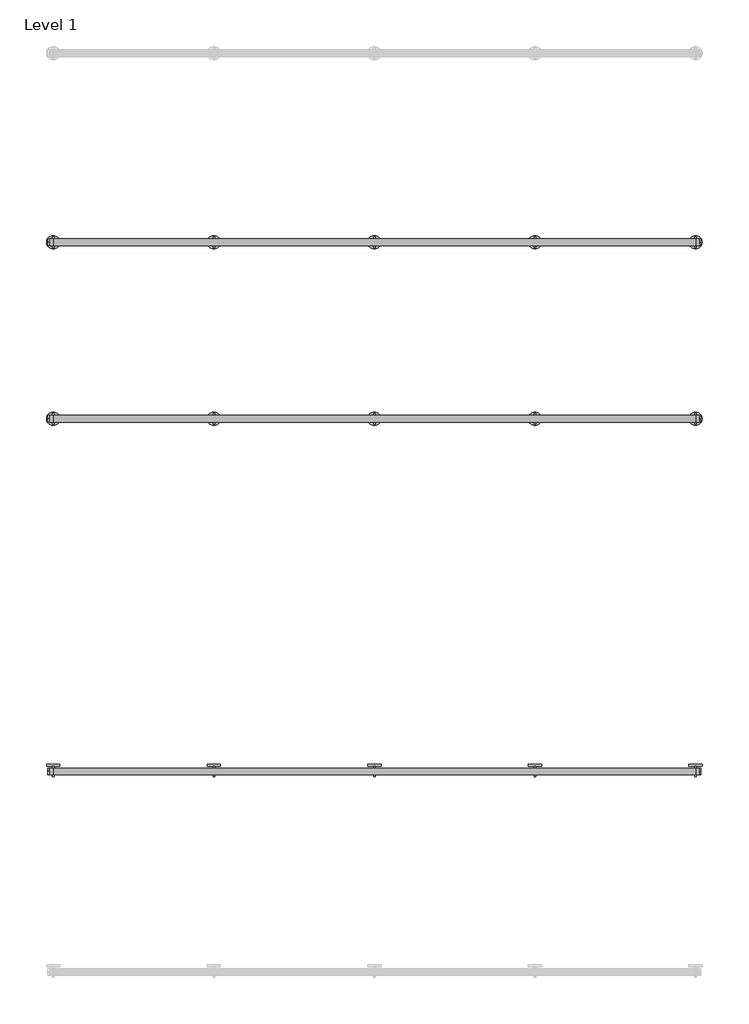
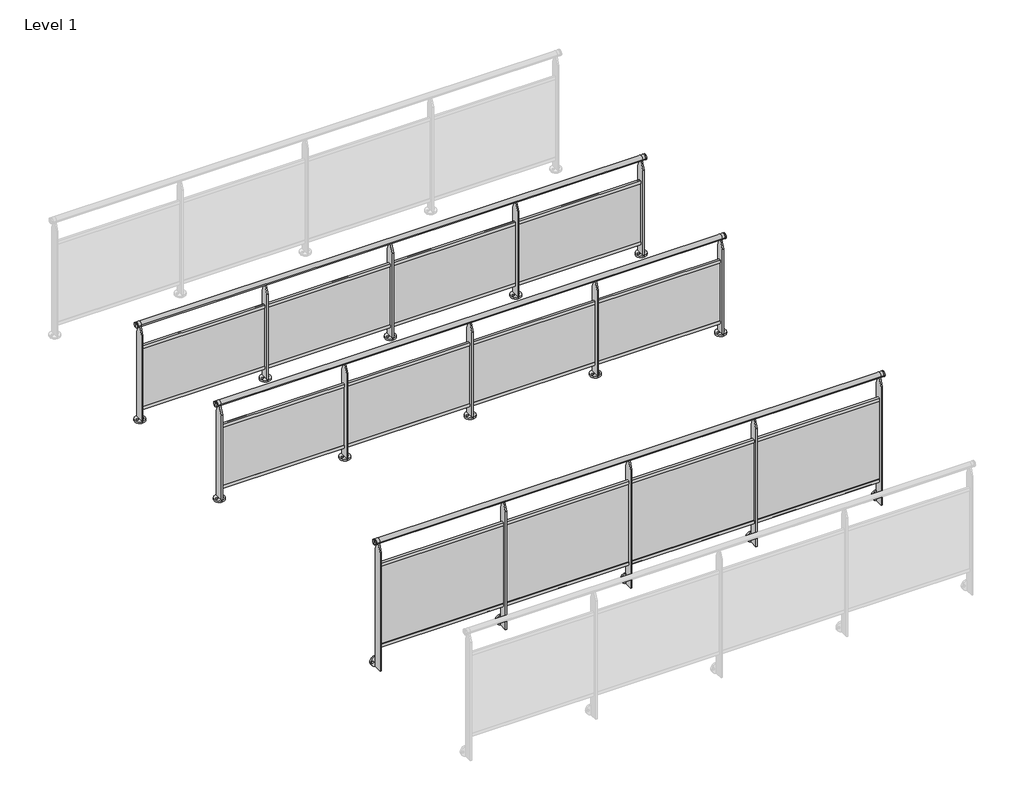
# One storey, part 2 of 14: 3 railings.
"""IFC4 building model written with IfcOpenShell, lengths in millimetres."""

from ifc_helpers import new_model, si_unit, point, frame, frame_2d, origin, origin_with_axes, place, context, project, spatial, polyline, circle_curve, trimmed, segment, composite_curve, outline, extrude, element, save
from ifc_brep_helpers import plane_surface, cylinder_surface, advanced_brep

model = new_model("IFC4")

# Units and contexts
model_context = context("Model", 3, world=origin())
ifc_project = project(units=[si_unit("LENGTHUNIT", "METRE", prefix="MILLI")], contexts=[model_context])

# Site, building, storey
site = spatial("IfcSite", under=ifc_project)
building = spatial("IfcBuilding", under=site)
storey = spatial("IfcBuildingStorey", under=building, Name="Level 1", Elevation=0.0)

# Railings
placement = place(None, origin())
element("IfcRailing", 1, at=placement, inside=storey, context=model_context, shape_type="SolidModel", body=[
    advanced_brep(
    [(32190.6479588, -5976.1675637, 975.0), (32190.6479588, -5976.1675637, 1000.0), (32190.6479588, -5976.1675637, 950.0), (32200.6479588, -5976.1675637, 950.0), (32200.6479588, -5976.1675637, 1000.0), (32200.6479588, -5976.1675637, 975.0)],
    [
        (0, 1),
        (1, 2, circle_curve(frame((32190.6479588, -5976.1675637, 975.0), z_axis=(-1.0, 0.0, 0.0), x_axis=(0.0, 0.0, 1.0)), 25.0)),
        (2, 0),
        (2, 1, circle_curve(frame((32190.6479588, -5976.1675637, 975.0), z_axis=(-1.0, 0.0, 0.0), x_axis=(0.0, 0.0, 1.0)), 25.0)),
        (3, 4, circle_curve(frame((32200.6479588, -5976.1675637, 975.0), z_axis=(1.0, 0.0, 0.0), x_axis=(0.0, 0.0, 1.0)), 25.0)),
        (4, 5),
        (5, 3),
        (4, 3, circle_curve(frame((32200.6479588, -5976.1675637, 975.0), z_axis=(1.0, 0.0, 0.0), x_axis=(0.0, 0.0, 1.0)), 25.0)),
        (1, 4),
        (3, 2),
    ],
    [
        plane_surface(frame((32190.6479588, -5976.1675637, 975.0), z_axis=(-1.0, 0.0, 0.0), x_axis=(0.0, 0.0, 1.0))),
        plane_surface(frame((32200.6479588, -5976.1675637, 975.0), z_axis=(1.0, 0.0, 0.0), x_axis=(0.0, 0.0, 1.0))),
        cylinder_surface(frame((32175.6479588, -5976.1675637, 975.0), z_axis=(-1.0, 0.0, 0.0), x_axis=(0.0, 0.0, 1.0)), 25.0),
    ],
    [
        (0, [[1, 2, 3]]),
        (0, [[-3, 4, -1]]),
        (1, [[5, 6, 7]]),
        (1, [[8, -7, -6]]),
        (2, [[-2, 9, -5, 10]]),
        (2, [[-4, -10, -8, -9]]),
    ],
),
    advanced_brep(
    [(27330.6479588, -5976.1675637, 975.0), (27330.6479588, -5976.1675637, 1000.0), (27330.6479588, -5976.1675637, 950.0), (27320.6479588, -5976.1675637, 950.0), (27320.6479588, -5976.1675637, 1000.0), (27320.6479588, -5976.1675637, 975.0)],
    [
        (0, 1),
        (1, 2, circle_curve(frame((27330.6479588, -5976.1675637, 975.0), z_axis=(1.0, 0.0, 0.0), x_axis=(0.0, 0.0, 1.0)), 25.0)),
        (2, 0),
        (2, 1, circle_curve(frame((27330.6479588, -5976.1675637, 975.0), z_axis=(1.0, 0.0, 0.0), x_axis=(0.0, 0.0, 1.0)), 25.0)),
        (3, 4, circle_curve(frame((27320.6479588, -5976.1675637, 975.0), z_axis=(-1.0, 0.0, 0.0), x_axis=(0.0, 0.0, 1.0)), 25.0)),
        (4, 5),
        (5, 3),
        (4, 3, circle_curve(frame((27320.6479588, -5976.1675637, 975.0), z_axis=(-1.0, 0.0, 0.0), x_axis=(0.0, 0.0, 1.0)), 25.0)),
        (1, 4),
        (3, 2),
    ],
    [
        plane_surface(frame((27330.6479588, -5976.1675637, 975.0), z_axis=(1.0, 0.0, 0.0), x_axis=(0.0, 0.0, 1.0))),
        plane_surface(frame((27320.6479588, -5976.1675637, 975.0), z_axis=(-1.0, 0.0, 0.0), x_axis=(0.0, 0.0, 1.0))),
        cylinder_surface(frame((27345.6479588, -5976.1675637, 975.0), z_axis=(1.0, 0.0, 0.0), x_axis=(0.0, 0.0, 1.0)), 25.0),
    ],
    [
        (0, [[1, 2, 3]]),
        (0, [[-3, 4, -1]]),
        (1, [[5, 6, 7]]),
        (1, [[8, -7, -6]]),
        (2, [[-2, 9, -5, 10]]),
        (2, [[-4, -10, -8, -9]]),
    ],
),
    advanced_brep(
    [(27330.6479588, -6001.1675637, 975.0), (27330.6479588, -5951.1675637, 975.0), (27360.6479588, -6001.1675637, 975.0), (27360.6479588, -5951.1675637, 975.0), (32160.6479588, -6001.1675637, 975.0), (32160.6479588, -5951.1675637, 975.0), (32190.6479588, -6001.1675637, 975.0), (32190.6479588, -5951.1675637, 975.0)],
    [
        (0, 1, circle_curve(frame((27330.6479588, -5976.1675637, 975.0), z_axis=(-1.0, 0.0, 0.0), x_axis=(0.0, 1.0, 0.0)), 25.0)),
        (1, 0, circle_curve(frame((27330.6479588, -5976.1675637, 975.0), z_axis=(-1.0, 0.0, 0.0), x_axis=(0.0, 1.0, 0.0)), 25.0)),
        (0, 2),
        (2, 3, circle_curve(frame((27360.6479588, -5976.1675637, 975.0), z_axis=(-1.0, 0.0, 0.0), x_axis=(0.0, 1.0, 0.0)), 25.0)),
        (3, 1),
        (3, 2, circle_curve(frame((27360.6479588, -5976.1675637, 975.0), z_axis=(-1.0, 0.0, 0.0), x_axis=(0.0, 1.0, 0.0)), 25.0)),
        (2, 4),
        (4, 5, circle_curve(frame((32160.6479588, -5976.1675637, 975.0), z_axis=(-1.0, 0.0, 0.0), x_axis=(0.0, 1.0, 0.0)), 25.0)),
        (5, 3),
        (5, 4, circle_curve(frame((32160.6479588, -5976.1675637, 975.0), z_axis=(-1.0, 0.0, 0.0), x_axis=(0.0, 1.0, 0.0)), 25.0)),
        (6, 7, circle_curve(frame((32190.6479588, -5976.1675637, 975.0), z_axis=(1.0, 0.0, 0.0), x_axis=(0.0, 1.0, 0.0)), 25.0)),
        (7, 6, circle_curve(frame((32190.6479588, -5976.1675637, 975.0), z_axis=(1.0, 0.0, 0.0), x_axis=(0.0, 1.0, 0.0)), 25.0)),
        (4, 6),
        (7, 5),
    ],
    [
        plane_surface(frame((27330.6479588, -5976.1675637, 1000.0), z_axis=(-1.0, 0.0, 0.0), x_axis=(0.0, 1.0, 0.0))),
        cylinder_surface(frame((27330.6479588, -5976.1675637, 975.0), z_axis=(-1.0, 0.0, 0.0), x_axis=(0.0, 1.0, 0.0)), 25.0),
        cylinder_surface(frame((27360.6479588, -5976.1675637, 975.0), z_axis=(-1.0, 0.0, 0.0), x_axis=(0.0, 1.0, 0.0)), 25.0),
        plane_surface(frame((32190.6479588, -5976.1675637, 1000.0), z_axis=(1.0, 0.0, 0.0), x_axis=(0.0, 1.0, 0.0))),
        cylinder_surface(frame((32160.6479588, -5976.1675637, 975.0), z_axis=(-1.0, 0.0, 0.0), x_axis=(0.0, 1.0, 0.0)), 25.0),
    ],
    [
        (0, [[1, 2]]),
        (1, [[-1, 3, 4, 5]]),
        (1, [[-2, -5, 6, -3]]),
        (2, [[-4, 7, 8, 9]]),
        (2, [[-6, -9, 10, -7]]),
        (3, [[11, 12]]),
        (4, [[-8, 13, -12, 14]]),
        (4, [[-10, -14, -11, -13]]),
    ],
),
    extrude(outline(polyline([(-5963.1675637, 750.0), (-5963.1675637, 720.0), (-5966.1675637, 720.0), (-5966.1675637, 747.0), (-5980.1675637, 747.0), (-5980.1675637, 720.0), (-5983.1675637, 720.0), (-5983.1675637, 750.0), (-5963.1675637, 750.0)])), frame((27360.6479588, 0.0, 0.0), z_axis=(1.0, 0.0, 0.0), x_axis=(0.0, 1.0, 0.0)), (0.0, 0.0, 1.0), 4800.0),
    extrude(outline(polyline([(27360.6479588, -5977.1675637), (27360.6479588, -5969.1675637), (32160.6479588, -5969.1675637), (32160.6479588, -5977.1675637), (27360.6479588, -5977.1675637)])), frame((0.0, 0.0, 130.0), z_axis=(0.0, 0.0, 1.0), x_axis=(1.0, 0.0, 0.0)), (0.0, 0.0, 1.0), 590.0),
    extrude(outline(polyline([(-5963.1675637, 100.0), (-5983.1675637, 100.0), (-5983.1675637, 130.0), (-5980.1675637, 130.0), (-5980.1675637, 103.0), (-5966.1675637, 103.0), (-5966.1675637, 130.0), (-5963.1675637, 130.0), (-5963.1675637, 100.0)])), frame((27360.6479588, 0.0, 0.0), z_axis=(1.0, 0.0, 0.0), x_axis=(0.0, 1.0, 0.0)), (0.0, 0.0, 1.0), 4800.0),
    extrude(outline(composite_curve([segment(trimmed(circle_curve(frame_2d((30960.6479588, -5976.1675637)), 50.0), [point((30960.6479588, -6026.1675637))], [point((30960.6479588, -5926.1675637))], False, "CARTESIAN"), True, "CONTINUOUS"), segment(trimmed(circle_curve(frame_2d((30960.6479588, -5976.1675637)), 50.0), [point((30960.6479588, -5926.1675637))], [point((30960.6479588, -6026.1675637))], False, "CARTESIAN"), True, "CONTINUOUS")], self_intersect=False), holes=[composite_curve([segment(trimmed(circle_curve(frame_2d((30935.6576262, -5976.1578962)), 8.9986565), [point((30944.6562827, -5976.1578962))], [point((30926.6589698, -5976.1578962))], True, "CARTESIAN"), True, "CONTINUOUS"), segment(trimmed(circle_curve(frame_2d((30935.6576262, -5976.1578962)), 8.9986565), [point((30926.6589698, -5976.1578962))], [point((30944.6562827, -5976.1578962))], True, "CARTESIAN"), True, "CONTINUOUS")], self_intersect=False), composite_curve([segment(trimmed(circle_curve(frame_2d((30985.6576262, -5976.1578962)), 8.9793215), [point((30994.6369477, -5976.1578962))], [point((30976.6783047, -5976.1578962))], True, "CARTESIAN"), True, "CONTINUOUS"), segment(trimmed(circle_curve(frame_2d((30985.6576262, -5976.1578962)), 8.9793215), [point((30976.6783047, -5976.1578962))], [point((30994.6369477, -5976.1578962))], True, "CARTESIAN"), True, "CONTINUOUS")], self_intersect=False)]), origin_with_axes(), (0.0, 0.0, 1.0), 15.0),
    extrude(outline(polyline([(-5936.1675637, 15.0), (-6016.1675637, 15.0), (-6016.1675637, 875.0), (-5986.1675637, 950.0), (-5966.1675637, 950.0), (-5936.1675637, 875.0), (-5936.1675637, 15.0)])), frame((30954.6479588, 0.0, 0.0), z_axis=(1.0, 0.0, 0.0), x_axis=(0.0, 1.0, 0.0)), (0.0, 0.0, 1.0), 12.0),
    extrude(outline(composite_curve([segment(trimmed(circle_curve(frame_2d((29760.6479588, -5976.1675637)), 50.0), [point((29760.6479588, -6026.1675637))], [point((29760.6479588, -5926.1675637))], False, "CARTESIAN"), True, "CONTINUOUS"), segment(trimmed(circle_curve(frame_2d((29760.6479588, -5976.1675637)), 50.0), [point((29760.6479588, -5926.1675637))], [point((29760.6479588, -6026.1675637))], False, "CARTESIAN"), True, "CONTINUOUS")], self_intersect=False), holes=[composite_curve([segment(trimmed(circle_curve(frame_2d((29735.6576262, -5976.1578962)), 8.9986565), [point((29744.6562827, -5976.1578962))], [point((29726.6589698, -5976.1578962))], True, "CARTESIAN"), True, "CONTINUOUS"), segment(trimmed(circle_curve(frame_2d((29735.6576262, -5976.1578962)), 8.9986565), [point((29726.6589698, -5976.1578962))], [point((29744.6562827, -5976.1578962))], True, "CARTESIAN"), True, "CONTINUOUS")], self_intersect=False), composite_curve([segment(trimmed(circle_curve(frame_2d((29785.6576262, -5976.1578962)), 8.9793215), [point((29794.6369477, -5976.1578962))], [point((29776.6783047, -5976.1578962))], True, "CARTESIAN"), True, "CONTINUOUS"), segment(trimmed(circle_curve(frame_2d((29785.6576262, -5976.1578962)), 8.9793215), [point((29776.6783047, -5976.1578962))], [point((29794.6369477, -5976.1578962))], True, "CARTESIAN"), True, "CONTINUOUS")], self_intersect=False)]), origin_with_axes(), (0.0, 0.0, 1.0), 15.0),
    extrude(outline(polyline([(-5936.1675637, 15.0), (-6016.1675637, 15.0), (-6016.1675637, 875.0), (-5986.1675637, 950.0), (-5966.1675637, 950.0), (-5936.1675637, 875.0), (-5936.1675637, 15.0)])), frame((29754.6479588, 0.0, 0.0), z_axis=(1.0, 0.0, 0.0), x_axis=(0.0, 1.0, 0.0)), (0.0, 0.0, 1.0), 12.0),
    extrude(outline(composite_curve([segment(trimmed(circle_curve(frame_2d((28560.6479588, -5976.1675637)), 50.0), [point((28560.6479588, -6026.1675637))], [point((28560.6479588, -5926.1675637))], False, "CARTESIAN"), True, "CONTINUOUS"), segment(trimmed(circle_curve(frame_2d((28560.6479588, -5976.1675637)), 50.0), [point((28560.6479588, -5926.1675637))], [point((28560.6479588, -6026.1675637))], False, "CARTESIAN"), True, "CONTINUOUS")], self_intersect=False), holes=[composite_curve([segment(trimmed(circle_curve(frame_2d((28535.6576262, -5976.1578962)), 8.9986565), [point((28544.6562827, -5976.1578962))], [point((28526.6589698, -5976.1578962))], True, "CARTESIAN"), True, "CONTINUOUS"), segment(trimmed(circle_curve(frame_2d((28535.6576262, -5976.1578962)), 8.9986565), [point((28526.6589698, -5976.1578962))], [point((28544.6562827, -5976.1578962))], True, "CARTESIAN"), True, "CONTINUOUS")], self_intersect=False), composite_curve([segment(trimmed(circle_curve(frame_2d((28585.6576262, -5976.1578962)), 8.9793215), [point((28594.6369477, -5976.1578962))], [point((28576.6783047, -5976.1578962))], True, "CARTESIAN"), True, "CONTINUOUS"), segment(trimmed(circle_curve(frame_2d((28585.6576262, -5976.1578962)), 8.9793215), [point((28576.6783047, -5976.1578962))], [point((28594.6369477, -5976.1578962))], True, "CARTESIAN"), True, "CONTINUOUS")], self_intersect=False)]), origin_with_axes(), (0.0, 0.0, 1.0), 15.0),
    extrude(outline(polyline([(-5936.1675637, 15.0), (-6016.1675637, 15.0), (-6016.1675637, 875.0), (-5986.1675637, 950.0), (-5966.1675637, 950.0), (-5936.1675637, 875.0), (-5936.1675637, 15.0)])), frame((28554.6479588, 0.0, 0.0), z_axis=(1.0, 0.0, 0.0), x_axis=(0.0, 1.0, 0.0)), (0.0, 0.0, 1.0), 12.0),
    extrude(outline(composite_curve([segment(trimmed(circle_curve(frame_2d((32160.6479588, -5976.1675637)), 50.0), [point((32160.6479588, -6026.1675637))], [point((32160.6479588, -5926.1675637))], False, "CARTESIAN"), True, "CONTINUOUS"), segment(trimmed(circle_curve(frame_2d((32160.6479588, -5976.1675637)), 50.0), [point((32160.6479588, -5926.1675637))], [point((32160.6479588, -6026.1675637))], False, "CARTESIAN"), True, "CONTINUOUS")], self_intersect=False), holes=[composite_curve([segment(trimmed(circle_curve(frame_2d((32135.6576262, -5976.1578962)), 8.9986565), [point((32144.6562827, -5976.1578962))], [point((32126.6589698, -5976.1578962))], True, "CARTESIAN"), True, "CONTINUOUS"), segment(trimmed(circle_curve(frame_2d((32135.6576262, -5976.1578962)), 8.9986565), [point((32126.6589698, -5976.1578962))], [point((32144.6562827, -5976.1578962))], True, "CARTESIAN"), True, "CONTINUOUS")], self_intersect=False), composite_curve([segment(trimmed(circle_curve(frame_2d((32185.6576262, -5976.1578962)), 8.9793215), [point((32194.6369477, -5976.1578962))], [point((32176.6783047, -5976.1578962))], True, "CARTESIAN"), True, "CONTINUOUS"), segment(trimmed(circle_curve(frame_2d((32185.6576262, -5976.1578962)), 8.9793215), [point((32176.6783047, -5976.1578962))], [point((32194.6369477, -5976.1578962))], True, "CARTESIAN"), True, "CONTINUOUS")], self_intersect=False)]), origin_with_axes(), (0.0, 0.0, 1.0), 15.0),
    extrude(outline(polyline([(-5936.1675637, 15.0), (-6016.1675637, 15.0), (-6016.1675637, 875.0), (-5986.1675637, 950.0), (-5966.1675637, 950.0), (-5936.1675637, 875.0), (-5936.1675637, 15.0)])), frame((32154.6479588, 0.0, 0.0), z_axis=(1.0, 0.0, 0.0), x_axis=(0.0, 1.0, 0.0)), (0.0, 0.0, 1.0), 12.0),
    extrude(outline(composite_curve([segment(trimmed(circle_curve(frame_2d((27360.6479588, -5976.1675637)), 50.0), [point((27360.6479588, -6026.1675637))], [point((27360.6479588, -5926.1675637))], False, "CARTESIAN"), True, "CONTINUOUS"), segment(trimmed(circle_curve(frame_2d((27360.6479588, -5976.1675637)), 50.0), [point((27360.6479588, -5926.1675637))], [point((27360.6479588, -6026.1675637))], False, "CARTESIAN"), True, "CONTINUOUS")], self_intersect=False), holes=[composite_curve([segment(trimmed(circle_curve(frame_2d((27335.6576262, -5976.1578962)), 8.9986565), [point((27344.6562827, -5976.1578962))], [point((27326.6589698, -5976.1578962))], True, "CARTESIAN"), True, "CONTINUOUS"), segment(trimmed(circle_curve(frame_2d((27335.6576262, -5976.1578962)), 8.9986565), [point((27326.6589698, -5976.1578962))], [point((27344.6562827, -5976.1578962))], True, "CARTESIAN"), True, "CONTINUOUS")], self_intersect=False), composite_curve([segment(trimmed(circle_curve(frame_2d((27385.6576262, -5976.1578962)), 8.9793215), [point((27394.6369477, -5976.1578962))], [point((27376.6783047, -5976.1578962))], True, "CARTESIAN"), True, "CONTINUOUS"), segment(trimmed(circle_curve(frame_2d((27385.6576262, -5976.1578962)), 8.9793215), [point((27376.6783047, -5976.1578962))], [point((27394.6369477, -5976.1578962))], True, "CARTESIAN"), True, "CONTINUOUS")], self_intersect=False)]), origin_with_axes(), (0.0, 0.0, 1.0), 15.0),
    extrude(outline(polyline([(-5936.1675637, 15.0), (-6016.1675637, 15.0), (-6016.1675637, 875.0), (-5986.1675637, 950.0), (-5966.1675637, 950.0), (-5936.1675637, 875.0), (-5936.1675637, 15.0)])), frame((27354.6479588, 0.0, 0.0), z_axis=(1.0, 0.0, 0.0), x_axis=(0.0, 1.0, 0.0)), (0.0, 0.0, 1.0), 12.0),
])
element("IfcRailing", 2, at=placement, inside=storey, context=model_context, shape_type="SolidModel", body=[
    advanced_brep(
    [(32190.6479588, -8610.846781, 1175.0), (32190.6479588, -8610.846781, 1200.0), (32190.6479588, -8610.846781, 1150.0), (32200.6479588, -8610.846781, 1150.0), (32200.6479588, -8610.846781, 1200.0), (32200.6479588, -8610.846781, 1175.0)],
    [
        (0, 1),
        (1, 2, circle_curve(frame((32190.6479588, -8610.846781, 1175.0), z_axis=(-1.0, 0.0, 0.0), x_axis=(0.0, 0.0, 1.0)), 25.0)),
        (2, 0),
        (2, 1, circle_curve(frame((32190.6479588, -8610.846781, 1175.0), z_axis=(-1.0, 0.0, 0.0), x_axis=(0.0, 0.0, 1.0)), 25.0)),
        (3, 4, circle_curve(frame((32200.6479588, -8610.846781, 1175.0), z_axis=(1.0, 0.0, 0.0), x_axis=(0.0, 0.0, 1.0)), 25.0)),
        (4, 5),
        (5, 3),
        (4, 3, circle_curve(frame((32200.6479588, -8610.846781, 1175.0), z_axis=(1.0, 0.0, 0.0), x_axis=(0.0, 0.0, 1.0)), 25.0)),
        (1, 4),
        (3, 2),
    ],
    [
        plane_surface(frame((32190.6479588, -8610.846781, 1175.0), z_axis=(-1.0, 0.0, 0.0), x_axis=(0.0, 0.0, 1.0))),
        plane_surface(frame((32200.6479588, -8610.846781, 1175.0), z_axis=(1.0, 0.0, 0.0), x_axis=(0.0, 0.0, 1.0))),
        cylinder_surface(frame((32175.6479588, -8610.846781, 1175.0), z_axis=(-1.0, 0.0, 0.0), x_axis=(0.0, 0.0, 1.0)), 25.0),
    ],
    [
        (0, [[1, 2, 3]]),
        (0, [[-3, 4, -1]]),
        (1, [[5, 6, 7]]),
        (1, [[8, -7, -6]]),
        (2, [[-2, 9, -5, 10]]),
        (2, [[-4, -10, -8, -9]]),
    ],
),
    advanced_brep(
    [(27330.6479588, -8610.846781, 1175.0), (27330.6479588, -8610.846781, 1200.0), (27330.6479588, -8610.846781, 1150.0), (27320.6479588, -8610.846781, 1150.0), (27320.6479588, -8610.846781, 1200.0), (27320.6479588, -8610.846781, 1175.0)],
    [
        (0, 1),
        (1, 2, circle_curve(frame((27330.6479588, -8610.846781, 1175.0), z_axis=(1.0, 0.0, 0.0), x_axis=(0.0, 0.0, 1.0)), 25.0)),
        (2, 0),
        (2, 1, circle_curve(frame((27330.6479588, -8610.846781, 1175.0), z_axis=(1.0, 0.0, 0.0), x_axis=(0.0, 0.0, 1.0)), 25.0)),
        (3, 4, circle_curve(frame((27320.6479588, -8610.846781, 1175.0), z_axis=(-1.0, 0.0, 0.0), x_axis=(0.0, 0.0, 1.0)), 25.0)),
        (4, 5),
        (5, 3),
        (4, 3, circle_curve(frame((27320.6479588, -8610.846781, 1175.0), z_axis=(-1.0, 0.0, 0.0), x_axis=(0.0, 0.0, 1.0)), 25.0)),
        (1, 4),
        (3, 2),
    ],
    [
        plane_surface(frame((27330.6479588, -8610.846781, 1175.0), z_axis=(1.0, 0.0, 0.0), x_axis=(0.0, 0.0, 1.0))),
        plane_surface(frame((27320.6479588, -8610.846781, 1175.0), z_axis=(-1.0, 0.0, 0.0), x_axis=(0.0, 0.0, 1.0))),
        cylinder_surface(frame((27345.6479588, -8610.846781, 1175.0), z_axis=(1.0, 0.0, 0.0), x_axis=(0.0, 0.0, 1.0)), 25.0),
    ],
    [
        (0, [[1, 2, 3]]),
        (0, [[-3, 4, -1]]),
        (1, [[5, 6, 7]]),
        (1, [[8, -7, -6]]),
        (2, [[-2, 9, -5, 10]]),
        (2, [[-4, -10, -8, -9]]),
    ],
),
    advanced_brep(
    [(27330.6479588, -8635.846781, 1175.0), (27330.6479588, -8585.846781, 1175.0), (27360.6479588, -8635.846781, 1175.0), (27360.6479588, -8585.846781, 1175.0), (32160.6479588, -8635.846781, 1175.0), (32160.6479588, -8585.846781, 1175.0), (32190.6479588, -8635.846781, 1175.0), (32190.6479588, -8585.846781, 1175.0)],
    [
        (0, 1, circle_curve(frame((27330.6479588, -8610.846781, 1175.0), z_axis=(-1.0, 0.0, 0.0), x_axis=(0.0, 1.0, 0.0)), 25.0)),
        (1, 0, circle_curve(frame((27330.6479588, -8610.846781, 1175.0), z_axis=(-1.0, 0.0, 0.0), x_axis=(0.0, 1.0, 0.0)), 25.0)),
        (0, 2),
        (2, 3, circle_curve(frame((27360.6479588, -8610.846781, 1175.0), z_axis=(-1.0, 0.0, 0.0), x_axis=(0.0, 1.0, 0.0)), 25.0)),
        (3, 1),
        (3, 2, circle_curve(frame((27360.6479588, -8610.846781, 1175.0), z_axis=(-1.0, 0.0, 0.0), x_axis=(0.0, 1.0, 0.0)), 25.0)),
        (2, 4),
        (4, 5, circle_curve(frame((32160.6479588, -8610.846781, 1175.0), z_axis=(-1.0, 0.0, 0.0), x_axis=(0.0, 1.0, 0.0)), 25.0)),
        (5, 3),
        (5, 4, circle_curve(frame((32160.6479588, -8610.846781, 1175.0), z_axis=(-1.0, 0.0, 0.0), x_axis=(0.0, 1.0, 0.0)), 25.0)),
        (6, 7, circle_curve(frame((32190.6479588, -8610.846781, 1175.0), z_axis=(1.0, 0.0, 0.0), x_axis=(0.0, 1.0, 0.0)), 25.0)),
        (7, 6, circle_curve(frame((32190.6479588, -8610.846781, 1175.0), z_axis=(1.0, 0.0, 0.0), x_axis=(0.0, 1.0, 0.0)), 25.0)),
        (4, 6),
        (7, 5),
    ],
    [
        plane_surface(frame((27330.6479588, -8610.846781, 1200.0), z_axis=(-1.0, 0.0, 0.0), x_axis=(0.0, 1.0, 0.0))),
        cylinder_surface(frame((27330.6479588, -8610.846781, 1175.0), z_axis=(-1.0, 0.0, 0.0), x_axis=(0.0, 1.0, 0.0)), 25.0),
        cylinder_surface(frame((27360.6479588, -8610.846781, 1175.0), z_axis=(-1.0, 0.0, 0.0), x_axis=(0.0, 1.0, 0.0)), 25.0),
        plane_surface(frame((32190.6479588, -8610.846781, 1200.0), z_axis=(1.0, 0.0, 0.0), x_axis=(0.0, 1.0, 0.0))),
        cylinder_surface(frame((32160.6479588, -8610.846781, 1175.0), z_axis=(-1.0, 0.0, 0.0), x_axis=(0.0, 1.0, 0.0)), 25.0),
    ],
    [
        (0, [[1, 2]]),
        (1, [[-1, 3, 4, 5]]),
        (1, [[-2, -5, 6, -3]]),
        (2, [[-4, 7, 8, 9]]),
        (2, [[-6, -9, 10, -7]]),
        (3, [[11, 12]]),
        (4, [[-8, 13, -12, 14]]),
        (4, [[-10, -14, -11, -13]]),
    ],
),
    extrude(outline(polyline([(-8623.846781, 950.0), (-8603.846781, 950.0), (-8603.846781, 920.0), (-8606.846781, 920.0), (-8606.846781, 947.0), (-8620.846781, 947.0), (-8620.846781, 920.0), (-8623.846781, 920.0), (-8623.846781, 950.0)])), frame((27360.6479588, 0.0, 0.0), z_axis=(1.0, 0.0, 0.0), x_axis=(0.0, 1.0, 0.0)), (0.0, 0.0, 1.0), 4800.0),
    extrude(outline(polyline([(27360.6479588, -8618.846781), (27360.6479588, -8608.846781), (32160.6479588, -8608.846781), (32160.6479588, -8618.846781), (27360.6479588, -8618.846781)])), frame((0.0, 0.0, 130.0), z_axis=(0.0, 0.0, 1.0), x_axis=(1.0, 0.0, 0.0)), (0.0, 0.0, 1.0), 790.0),
    extrude(outline(polyline([(-8623.846781, 100.0), (-8623.846781, 130.0), (-8620.846781, 130.0), (-8620.846781, 103.0), (-8606.846781, 103.0), (-8606.846781, 130.0), (-8603.846781, 130.0), (-8603.846781, 100.0), (-8623.846781, 100.0)])), frame((27360.6479588, 0.0, 0.0), z_axis=(1.0, 0.0, 0.0), x_axis=(0.0, 1.0, 0.0)), (0.0, 0.0, 1.0), 4800.0),
    extrude(outline(polyline([(-8650.846781, -120.0), (-8650.846781, 1075.0), (-8620.846781, 1150.0), (-8600.846781, 1150.0), (-8570.846781, 1075.0), (-8570.846781, -120.0), (-8650.846781, -120.0)])), frame((30954.6479588, 0.0, 0.0), z_axis=(1.0, 0.0, 0.0), x_axis=(0.0, 1.0, 0.0)), (0.0, 0.0, 1.0), 12.0),
    extrude(outline(composite_curve([segment(trimmed(circle_curve(frame_2d((-70.0, 30960.6479588)), 50.0), [point((-70.0, 31010.6479588))], [point((-70.0, 30910.6479588))], False, "CARTESIAN"), True, "CONTINUOUS"), segment(trimmed(circle_curve(frame_2d((-70.0, 30960.6479588)), 50.0), [point((-70.0, 30910.6479588))], [point((-70.0, 31010.6479588))], False, "CARTESIAN"), True, "CONTINUOUS")], self_intersect=False), holes=[composite_curve([segment(trimmed(circle_curve(frame_2d((-70.0, 30991.6479588)), 9.0), [point((-70.0, 31000.6479588))], [point((-70.0, 30982.6479588))], True, "CARTESIAN"), True, "CONTINUOUS"), segment(trimmed(circle_curve(frame_2d((-70.0, 30991.6479588)), 9.0), [point((-70.0, 30982.6479588))], [point((-70.0, 31000.6479588))], True, "CARTESIAN"), True, "CONTINUOUS")], self_intersect=False), composite_curve([segment(trimmed(circle_curve(frame_2d((-70.0, 30929.6479588)), 9.0), [point((-70.0, 30938.6479588))], [point((-70.0, 30920.6479588))], True, "CARTESIAN"), True, "CONTINUOUS"), segment(trimmed(circle_curve(frame_2d((-70.0, 30929.6479588)), 9.0), [point((-70.0, 30920.6479588))], [point((-70.0, 30938.6479588))], True, "CARTESIAN"), True, "CONTINUOUS")], self_intersect=False)]), frame((0.0, -8570.846781, 0.0), z_axis=(0.0, 1.0, 0.0), x_axis=(0.0, 0.0, 1.0)), (0.0, 0.0, 1.0), 15.0),
    extrude(outline(polyline([(-8650.846781, -120.0), (-8650.846781, 1075.0), (-8620.846781, 1150.0), (-8600.846781, 1150.0), (-8570.846781, 1075.0), (-8570.846781, -120.0), (-8650.846781, -120.0)])), frame((29754.6479588, 0.0, 0.0), z_axis=(1.0, 0.0, 0.0), x_axis=(0.0, 1.0, 0.0)), (0.0, 0.0, 1.0), 12.0),
    extrude(outline(composite_curve([segment(trimmed(circle_curve(frame_2d((-70.0, 29760.6479588)), 50.0), [point((-70.0, 29810.6479588))], [point((-70.0, 29710.6479588))], False, "CARTESIAN"), True, "CONTINUOUS"), segment(trimmed(circle_curve(frame_2d((-70.0, 29760.6479588)), 50.0), [point((-70.0, 29710.6479588))], [point((-70.0, 29810.6479588))], False, "CARTESIAN"), True, "CONTINUOUS")], self_intersect=False), holes=[composite_curve([segment(trimmed(circle_curve(frame_2d((-70.0, 29791.6479588)), 9.0), [point((-70.0, 29800.6479588))], [point((-70.0, 29782.6479588))], True, "CARTESIAN"), True, "CONTINUOUS"), segment(trimmed(circle_curve(frame_2d((-70.0, 29791.6479588)), 9.0), [point((-70.0, 29782.6479588))], [point((-70.0, 29800.6479588))], True, "CARTESIAN"), True, "CONTINUOUS")], self_intersect=False), composite_curve([segment(trimmed(circle_curve(frame_2d((-70.0, 29729.6479588)), 9.0), [point((-70.0, 29738.6479588))], [point((-70.0, 29720.6479588))], True, "CARTESIAN"), True, "CONTINUOUS"), segment(trimmed(circle_curve(frame_2d((-70.0, 29729.6479588)), 9.0), [point((-70.0, 29720.6479588))], [point((-70.0, 29738.6479588))], True, "CARTESIAN"), True, "CONTINUOUS")], self_intersect=False)]), frame((0.0, -8570.846781, 0.0), z_axis=(0.0, 1.0, 0.0), x_axis=(0.0, 0.0, 1.0)), (0.0, 0.0, 1.0), 15.0),
    extrude(outline(polyline([(-8650.846781, -120.0), (-8650.846781, 1075.0), (-8620.846781, 1150.0), (-8600.846781, 1150.0), (-8570.846781, 1075.0), (-8570.846781, -120.0), (-8650.846781, -120.0)])), frame((28554.6479588, 0.0, 0.0), z_axis=(1.0, 0.0, 0.0), x_axis=(0.0, 1.0, 0.0)), (0.0, 0.0, 1.0), 12.0),
    extrude(outline(composite_curve([segment(trimmed(circle_curve(frame_2d((-70.0, 28560.6479588)), 50.0), [point((-70.0, 28610.6479588))], [point((-70.0, 28510.6479588))], False, "CARTESIAN"), True, "CONTINUOUS"), segment(trimmed(circle_curve(frame_2d((-70.0, 28560.6479588)), 50.0), [point((-70.0, 28510.6479588))], [point((-70.0, 28610.6479588))], False, "CARTESIAN"), True, "CONTINUOUS")], self_intersect=False), holes=[composite_curve([segment(trimmed(circle_curve(frame_2d((-70.0, 28591.6479588)), 9.0), [point((-70.0, 28600.6479588))], [point((-70.0, 28582.6479588))], True, "CARTESIAN"), True, "CONTINUOUS"), segment(trimmed(circle_curve(frame_2d((-70.0, 28591.6479588)), 9.0), [point((-70.0, 28582.6479588))], [point((-70.0, 28600.6479588))], True, "CARTESIAN"), True, "CONTINUOUS")], self_intersect=False), composite_curve([segment(trimmed(circle_curve(frame_2d((-70.0, 28529.6479588)), 9.0), [point((-70.0, 28538.6479588))], [point((-70.0, 28520.6479588))], True, "CARTESIAN"), True, "CONTINUOUS"), segment(trimmed(circle_curve(frame_2d((-70.0, 28529.6479588)), 9.0), [point((-70.0, 28520.6479588))], [point((-70.0, 28538.6479588))], True, "CARTESIAN"), True, "CONTINUOUS")], self_intersect=False)]), frame((0.0, -8570.846781, 0.0), z_axis=(0.0, 1.0, 0.0), x_axis=(0.0, 0.0, 1.0)), (0.0, 0.0, 1.0), 15.0),
    extrude(outline(polyline([(-8650.846781, -120.0), (-8650.846781, 1075.0), (-8620.846781, 1150.0), (-8600.846781, 1150.0), (-8570.846781, 1075.0), (-8570.846781, -120.0), (-8650.846781, -120.0)])), frame((32154.6479588, 0.0, 0.0), z_axis=(1.0, 0.0, 0.0), x_axis=(0.0, 1.0, 0.0)), (0.0, 0.0, 1.0), 12.0),
    extrude(outline(composite_curve([segment(trimmed(circle_curve(frame_2d((-70.0, 32160.6479588)), 50.0), [point((-70.0, 32210.6479588))], [point((-70.0, 32110.6479588))], False, "CARTESIAN"), True, "CONTINUOUS"), segment(trimmed(circle_curve(frame_2d((-70.0, 32160.6479588)), 50.0), [point((-70.0, 32110.6479588))], [point((-70.0, 32210.6479588))], False, "CARTESIAN"), True, "CONTINUOUS")], self_intersect=False), holes=[composite_curve([segment(trimmed(circle_curve(frame_2d((-70.0, 32191.6479588)), 9.0), [point((-70.0, 32200.6479588))], [point((-70.0, 32182.6479588))], True, "CARTESIAN"), True, "CONTINUOUS"), segment(trimmed(circle_curve(frame_2d((-70.0, 32191.6479588)), 9.0), [point((-70.0, 32182.6479588))], [point((-70.0, 32200.6479588))], True, "CARTESIAN"), True, "CONTINUOUS")], self_intersect=False), composite_curve([segment(trimmed(circle_curve(frame_2d((-70.0, 32129.6479588)), 9.0), [point((-70.0, 32138.6479588))], [point((-70.0, 32120.6479588))], True, "CARTESIAN"), True, "CONTINUOUS"), segment(trimmed(circle_curve(frame_2d((-70.0, 32129.6479588)), 9.0), [point((-70.0, 32120.6479588))], [point((-70.0, 32138.6479588))], True, "CARTESIAN"), True, "CONTINUOUS")], self_intersect=False)]), frame((0.0, -8570.846781, 0.0), z_axis=(0.0, 1.0, 0.0), x_axis=(0.0, 0.0, 1.0)), (0.0, 0.0, 1.0), 15.0),
    extrude(outline(polyline([(-8650.846781, -120.0), (-8650.846781, 1075.0), (-8620.846781, 1150.0), (-8600.846781, 1150.0), (-8570.846781, 1075.0), (-8570.846781, -120.0), (-8650.846781, -120.0)])), frame((27354.6479588, 0.0, 0.0), z_axis=(1.0, 0.0, 0.0), x_axis=(0.0, 1.0, 0.0)), (0.0, 0.0, 1.0), 12.0),
    extrude(outline(composite_curve([segment(trimmed(circle_curve(frame_2d((-70.0, 27360.6479588)), 50.0), [point((-70.0, 27410.6479588))], [point((-70.0, 27310.6479588))], False, "CARTESIAN"), True, "CONTINUOUS"), segment(trimmed(circle_curve(frame_2d((-70.0, 27360.6479588)), 50.0), [point((-70.0, 27310.6479588))], [point((-70.0, 27410.6479588))], False, "CARTESIAN"), True, "CONTINUOUS")], self_intersect=False), holes=[composite_curve([segment(trimmed(circle_curve(frame_2d((-70.0, 27391.6479588)), 9.0), [point((-70.0, 27400.6479588))], [point((-70.0, 27382.6479588))], True, "CARTESIAN"), True, "CONTINUOUS"), segment(trimmed(circle_curve(frame_2d((-70.0, 27391.6479588)), 9.0), [point((-70.0, 27382.6479588))], [point((-70.0, 27400.6479588))], True, "CARTESIAN"), True, "CONTINUOUS")], self_intersect=False), composite_curve([segment(trimmed(circle_curve(frame_2d((-70.0, 27329.6479588)), 9.0), [point((-70.0, 27338.6479588))], [point((-70.0, 27320.6479588))], True, "CARTESIAN"), True, "CONTINUOUS"), segment(trimmed(circle_curve(frame_2d((-70.0, 27329.6479588)), 9.0), [point((-70.0, 27320.6479588))], [point((-70.0, 27338.6479588))], True, "CARTESIAN"), True, "CONTINUOUS")], self_intersect=False)]), frame((0.0, -8570.846781, 0.0), z_axis=(0.0, 1.0, 0.0), x_axis=(0.0, 0.0, 1.0)), (0.0, 0.0, 1.0), 15.0),
])
element("IfcRailing", 3, at=placement, inside=storey, context=model_context, shape_type="SolidModel", body=[
    advanced_brep(
    [(32190.6479588, -4656.1675637, 975.0), (32190.6479588, -4656.1675637, 1000.0), (32190.6479588, -4656.1675637, 950.0), (32200.6479588, -4656.1675637, 950.0), (32200.6479588, -4656.1675637, 1000.0), (32200.6479588, -4656.1675637, 975.0)],
    [
        (0, 1),
        (1, 2, circle_curve(frame((32190.6479588, -4656.1675637, 975.0), z_axis=(-1.0, 0.0, 0.0), x_axis=(0.0, 0.0, 1.0)), 25.0)),
        (2, 0),
        (2, 1, circle_curve(frame((32190.6479588, -4656.1675637, 975.0), z_axis=(-1.0, 0.0, 0.0), x_axis=(0.0, 0.0, 1.0)), 25.0)),
        (3, 4, circle_curve(frame((32200.6479588, -4656.1675637, 975.0), z_axis=(1.0, 0.0, 0.0), x_axis=(0.0, 0.0, 1.0)), 25.0)),
        (4, 5),
        (5, 3),
        (4, 3, circle_curve(frame((32200.6479588, -4656.1675637, 975.0), z_axis=(1.0, 0.0, 0.0), x_axis=(0.0, 0.0, 1.0)), 25.0)),
        (1, 4),
        (3, 2),
    ],
    [
        plane_surface(frame((32190.6479588, -4656.1675637, 975.0), z_axis=(-1.0, 0.0, 0.0), x_axis=(0.0, 0.0, 1.0))),
        plane_surface(frame((32200.6479588, -4656.1675637, 975.0), z_axis=(1.0, 0.0, 0.0), x_axis=(0.0, 0.0, 1.0))),
        cylinder_surface(frame((32175.6479588, -4656.1675637, 975.0), z_axis=(-1.0, 0.0, 0.0), x_axis=(0.0, 0.0, 1.0)), 25.0),
    ],
    [
        (0, [[1, 2, 3]]),
        (0, [[-3, 4, -1]]),
        (1, [[5, 6, 7]]),
        (1, [[8, -7, -6]]),
        (2, [[-2, 9, -5, 10]]),
        (2, [[-4, -10, -8, -9]]),
    ],
),
    advanced_brep(
    [(27330.6479588, -4656.1675637, 975.0), (27330.6479588, -4656.1675637, 1000.0), (27330.6479588, -4656.1675637, 950.0), (27320.6479588, -4656.1675637, 950.0), (27320.6479588, -4656.1675637, 1000.0), (27320.6479588, -4656.1675637, 975.0)],
    [
        (0, 1),
        (1, 2, circle_curve(frame((27330.6479588, -4656.1675637, 975.0), z_axis=(1.0, 0.0, 0.0), x_axis=(0.0, 0.0, 1.0)), 25.0)),
        (2, 0),
        (2, 1, circle_curve(frame((27330.6479588, -4656.1675637, 975.0), z_axis=(1.0, 0.0, 0.0), x_axis=(0.0, 0.0, 1.0)), 25.0)),
        (3, 4, circle_curve(frame((27320.6479588, -4656.1675637, 975.0), z_axis=(-1.0, 0.0, 0.0), x_axis=(0.0, 0.0, 1.0)), 25.0)),
        (4, 5),
        (5, 3),
        (4, 3, circle_curve(frame((27320.6479588, -4656.1675637, 975.0), z_axis=(-1.0, 0.0, 0.0), x_axis=(0.0, 0.0, 1.0)), 25.0)),
        (1, 4),
        (3, 2),
    ],
    [
        plane_surface(frame((27330.6479588, -4656.1675637, 975.0), z_axis=(1.0, 0.0, 0.0), x_axis=(0.0, 0.0, 1.0))),
        plane_surface(frame((27320.6479588, -4656.1675637, 975.0), z_axis=(-1.0, 0.0, 0.0), x_axis=(0.0, 0.0, 1.0))),
        cylinder_surface(frame((27345.6479588, -4656.1675637, 975.0), z_axis=(1.0, 0.0, 0.0), x_axis=(0.0, 0.0, 1.0)), 25.0),
    ],
    [
        (0, [[1, 2, 3]]),
        (0, [[-3, 4, -1]]),
        (1, [[5, 6, 7]]),
        (1, [[8, -7, -6]]),
        (2, [[-2, 9, -5, 10]]),
        (2, [[-4, -10, -8, -9]]),
    ],
),
    advanced_brep(
    [(27330.6479588, -4681.1675637, 975.0), (27330.6479588, -4631.1675637, 975.0), (27360.6479588, -4681.1675637, 975.0), (27360.6479588, -4631.1675637, 975.0), (32160.6479588, -4681.1675637, 975.0), (32160.6479588, -4631.1675637, 975.0), (32190.6479588, -4681.1675637, 975.0), (32190.6479588, -4631.1675637, 975.0)],
    [
        (0, 1, circle_curve(frame((27330.6479588, -4656.1675637, 975.0), z_axis=(-1.0, 0.0, 0.0), x_axis=(0.0, 1.0, 0.0)), 25.0)),
        (1, 0, circle_curve(frame((27330.6479588, -4656.1675637, 975.0), z_axis=(-1.0, 0.0, 0.0), x_axis=(0.0, 1.0, 0.0)), 25.0)),
        (0, 2),
        (2, 3, circle_curve(frame((27360.6479588, -4656.1675637, 975.0), z_axis=(-1.0, 0.0, 0.0), x_axis=(0.0, 1.0, 0.0)), 25.0)),
        (3, 1),
        (3, 2, circle_curve(frame((27360.6479588, -4656.1675637, 975.0), z_axis=(-1.0, 0.0, 0.0), x_axis=(0.0, 1.0, 0.0)), 25.0)),
        (2, 4),
        (4, 5, circle_curve(frame((32160.6479588, -4656.1675637, 975.0), z_axis=(-1.0, 0.0, 0.0), x_axis=(0.0, 1.0, 0.0)), 25.0)),
        (5, 3),
        (5, 4, circle_curve(frame((32160.6479588, -4656.1675637, 975.0), z_axis=(-1.0, 0.0, 0.0), x_axis=(0.0, 1.0, 0.0)), 25.0)),
        (6, 7, circle_curve(frame((32190.6479588, -4656.1675637, 975.0), z_axis=(1.0, 0.0, 0.0), x_axis=(0.0, 1.0, 0.0)), 25.0)),
        (7, 6, circle_curve(frame((32190.6479588, -4656.1675637, 975.0), z_axis=(1.0, 0.0, 0.0), x_axis=(0.0, 1.0, 0.0)), 25.0)),
        (4, 6),
        (7, 5),
    ],
    [
        plane_surface(frame((27330.6479588, -4656.1675637, 1000.0), z_axis=(-1.0, 0.0, 0.0), x_axis=(0.0, 1.0, 0.0))),
        cylinder_surface(frame((27330.6479588, -4656.1675637, 975.0), z_axis=(-1.0, 0.0, 0.0), x_axis=(0.0, 1.0, 0.0)), 25.0),
        cylinder_surface(frame((27360.6479588, -4656.1675637, 975.0), z_axis=(-1.0, 0.0, 0.0), x_axis=(0.0, 1.0, 0.0)), 25.0),
        plane_surface(frame((32190.6479588, -4656.1675637, 1000.0), z_axis=(1.0, 0.0, 0.0), x_axis=(0.0, 1.0, 0.0))),
        cylinder_surface(frame((32160.6479588, -4656.1675637, 975.0), z_axis=(-1.0, 0.0, 0.0), x_axis=(0.0, 1.0, 0.0)), 25.0),
    ],
    [
        (0, [[1, 2]]),
        (1, [[-1, 3, 4, 5]]),
        (1, [[-2, -5, 6, -3]]),
        (2, [[-4, 7, 8, 9]]),
        (2, [[-6, -9, 10, -7]]),
        (3, [[11, 12]]),
        (4, [[-8, 13, -12, 14]]),
        (4, [[-10, -14, -11, -13]]),
    ],
),
    extrude(outline(polyline([(-4643.1675637, 750.0), (-4643.1675637, 720.0), (-4646.1675637, 720.0), (-4646.1675637, 747.0), (-4660.1675637, 747.0), (-4660.1675637, 720.0), (-4663.1675637, 720.0), (-4663.1675637, 750.0), (-4643.1675637, 750.0)])), frame((27360.6479588, 0.0, 0.0), z_axis=(1.0, 0.0, 0.0), x_axis=(0.0, 1.0, 0.0)), (0.0, 0.0, 1.0), 4800.0),
    extrude(outline(polyline([(27360.6479588, -4658.1675637), (27360.6479588, -4648.1675637), (32160.6479588, -4648.1675637), (32160.6479588, -4658.1675637), (27360.6479588, -4658.1675637)])), frame((0.0, 0.0, 130.0), z_axis=(0.0, 0.0, 1.0), x_axis=(1.0, 0.0, 0.0)), (0.0, 0.0, 1.0), 590.0),
    extrude(outline(polyline([(-4643.1675637, 100.0), (-4663.1675637, 100.0), (-4663.1675637, 130.0), (-4660.1675637, 130.0), (-4660.1675637, 103.0), (-4646.1675637, 103.0), (-4646.1675637, 130.0), (-4643.1675637, 130.0), (-4643.1675637, 100.0)])), frame((27360.6479588, 0.0, 0.0), z_axis=(1.0, 0.0, 0.0), x_axis=(0.0, 1.0, 0.0)), (0.0, 0.0, 1.0), 4800.0),
    extrude(outline(composite_curve([segment(trimmed(circle_curve(frame_2d((30960.6479588, -4656.1675637)), 50.0), [point((30960.6479588, -4706.1675637))], [point((30960.6479588, -4606.1675637))], False, "CARTESIAN"), True, "CONTINUOUS"), segment(trimmed(circle_curve(frame_2d((30960.6479588, -4656.1675637)), 50.0), [point((30960.6479588, -4606.1675637))], [point((30960.6479588, -4706.1675637))], False, "CARTESIAN"), True, "CONTINUOUS")], self_intersect=False), holes=[composite_curve([segment(trimmed(circle_curve(frame_2d((30935.6576262, -4656.1578962)), 8.9986565), [point((30944.6562827, -4656.1578962))], [point((30926.6589698, -4656.1578962))], True, "CARTESIAN"), True, "CONTINUOUS"), segment(trimmed(circle_curve(frame_2d((30935.6576262, -4656.1578962)), 8.9986565), [point((30926.6589698, -4656.1578962))], [point((30944.6562827, -4656.1578962))], True, "CARTESIAN"), True, "CONTINUOUS")], self_intersect=False), composite_curve([segment(trimmed(circle_curve(frame_2d((30985.6576262, -4656.1578962)), 8.9793215), [point((30994.6369477, -4656.1578962))], [point((30976.6783047, -4656.1578962))], True, "CARTESIAN"), True, "CONTINUOUS"), segment(trimmed(circle_curve(frame_2d((30985.6576262, -4656.1578962)), 8.9793215), [point((30976.6783047, -4656.1578962))], [point((30994.6369477, -4656.1578962))], True, "CARTESIAN"), True, "CONTINUOUS")], self_intersect=False)]), origin_with_axes(), (0.0, 0.0, 1.0), 15.0),
    extrude(outline(polyline([(-4616.1675637, 15.0), (-4696.1675637, 15.0), (-4696.1675637, 875.0), (-4666.1675637, 950.0), (-4646.1675637, 950.0), (-4616.1675637, 875.0), (-4616.1675637, 15.0)])), frame((30954.6479588, 0.0, 0.0), z_axis=(1.0, 0.0, 0.0), x_axis=(0.0, 1.0, 0.0)), (0.0, 0.0, 1.0), 12.0),
    extrude(outline(composite_curve([segment(trimmed(circle_curve(frame_2d((29760.6479588, -4656.1675637)), 50.0), [point((29760.6479588, -4706.1675637))], [point((29760.6479588, -4606.1675637))], False, "CARTESIAN"), True, "CONTINUOUS"), segment(trimmed(circle_curve(frame_2d((29760.6479588, -4656.1675637)), 50.0), [point((29760.6479588, -4606.1675637))], [point((29760.6479588, -4706.1675637))], False, "CARTESIAN"), True, "CONTINUOUS")], self_intersect=False), holes=[composite_curve([segment(trimmed(circle_curve(frame_2d((29735.6576262, -4656.1578962)), 8.9986565), [point((29744.6562827, -4656.1578962))], [point((29726.6589698, -4656.1578962))], True, "CARTESIAN"), True, "CONTINUOUS"), segment(trimmed(circle_curve(frame_2d((29735.6576262, -4656.1578962)), 8.9986565), [point((29726.6589698, -4656.1578962))], [point((29744.6562827, -4656.1578962))], True, "CARTESIAN"), True, "CONTINUOUS")], self_intersect=False), composite_curve([segment(trimmed(circle_curve(frame_2d((29785.6576262, -4656.1578962)), 8.9793215), [point((29794.6369477, -4656.1578962))], [point((29776.6783047, -4656.1578962))], True, "CARTESIAN"), True, "CONTINUOUS"), segment(trimmed(circle_curve(frame_2d((29785.6576262, -4656.1578962)), 8.9793215), [point((29776.6783047, -4656.1578962))], [point((29794.6369477, -4656.1578962))], True, "CARTESIAN"), True, "CONTINUOUS")], self_intersect=False)]), origin_with_axes(), (0.0, 0.0, 1.0), 15.0),
    extrude(outline(polyline([(-4616.1675637, 15.0), (-4696.1675637, 15.0), (-4696.1675637, 875.0), (-4666.1675637, 950.0), (-4646.1675637, 950.0), (-4616.1675637, 875.0), (-4616.1675637, 15.0)])), frame((29754.6479588, 0.0, 0.0), z_axis=(1.0, 0.0, 0.0), x_axis=(0.0, 1.0, 0.0)), (0.0, 0.0, 1.0), 12.0),
    extrude(outline(composite_curve([segment(trimmed(circle_curve(frame_2d((28560.6479588, -4656.1675637)), 50.0), [point((28560.6479588, -4706.1675637))], [point((28560.6479588, -4606.1675637))], False, "CARTESIAN"), True, "CONTINUOUS"), segment(trimmed(circle_curve(frame_2d((28560.6479588, -4656.1675637)), 50.0), [point((28560.6479588, -4606.1675637))], [point((28560.6479588, -4706.1675637))], False, "CARTESIAN"), True, "CONTINUOUS")], self_intersect=False), holes=[composite_curve([segment(trimmed(circle_curve(frame_2d((28535.6576262, -4656.1578962)), 8.9986565), [point((28544.6562827, -4656.1578962))], [point((28526.6589698, -4656.1578962))], True, "CARTESIAN"), True, "CONTINUOUS"), segment(trimmed(circle_curve(frame_2d((28535.6576262, -4656.1578962)), 8.9986565), [point((28526.6589698, -4656.1578962))], [point((28544.6562827, -4656.1578962))], True, "CARTESIAN"), True, "CONTINUOUS")], self_intersect=False), composite_curve([segment(trimmed(circle_curve(frame_2d((28585.6576262, -4656.1578962)), 8.9793215), [point((28594.6369477, -4656.1578962))], [point((28576.6783047, -4656.1578962))], True, "CARTESIAN"), True, "CONTINUOUS"), segment(trimmed(circle_curve(frame_2d((28585.6576262, -4656.1578962)), 8.9793215), [point((28576.6783047, -4656.1578962))], [point((28594.6369477, -4656.1578962))], True, "CARTESIAN"), True, "CONTINUOUS")], self_intersect=False)]), origin_with_axes(), (0.0, 0.0, 1.0), 15.0),
    extrude(outline(polyline([(-4616.1675637, 15.0), (-4696.1675637, 15.0), (-4696.1675637, 875.0), (-4666.1675637, 950.0), (-4646.1675637, 950.0), (-4616.1675637, 875.0), (-4616.1675637, 15.0)])), frame((28554.6479588, 0.0, 0.0), z_axis=(1.0, 0.0, 0.0), x_axis=(0.0, 1.0, 0.0)), (0.0, 0.0, 1.0), 12.0),
    extrude(outline(composite_curve([segment(trimmed(circle_curve(frame_2d((32160.6479588, -4656.1675637)), 50.0), [point((32160.6479588, -4706.1675637))], [point((32160.6479588, -4606.1675637))], False, "CARTESIAN"), True, "CONTINUOUS"), segment(trimmed(circle_curve(frame_2d((32160.6479588, -4656.1675637)), 50.0), [point((32160.6479588, -4606.1675637))], [point((32160.6479588, -4706.1675637))], False, "CARTESIAN"), True, "CONTINUOUS")], self_intersect=False), holes=[composite_curve([segment(trimmed(circle_curve(frame_2d((32135.6576262, -4656.1578962)), 8.9986565), [point((32144.6562827, -4656.1578962))], [point((32126.6589698, -4656.1578962))], True, "CARTESIAN"), True, "CONTINUOUS"), segment(trimmed(circle_curve(frame_2d((32135.6576262, -4656.1578962)), 8.9986565), [point((32126.6589698, -4656.1578962))], [point((32144.6562827, -4656.1578962))], True, "CARTESIAN"), True, "CONTINUOUS")], self_intersect=False), composite_curve([segment(trimmed(circle_curve(frame_2d((32185.6576262, -4656.1578962)), 8.9793215), [point((32194.6369477, -4656.1578962))], [point((32176.6783047, -4656.1578962))], True, "CARTESIAN"), True, "CONTINUOUS"), segment(trimmed(circle_curve(frame_2d((32185.6576262, -4656.1578962)), 8.9793215), [point((32176.6783047, -4656.1578962))], [point((32194.6369477, -4656.1578962))], True, "CARTESIAN"), True, "CONTINUOUS")], self_intersect=False)]), origin_with_axes(), (0.0, 0.0, 1.0), 15.0),
    extrude(outline(polyline([(-4616.1675637, 15.0), (-4696.1675637, 15.0), (-4696.1675637, 875.0), (-4666.1675637, 950.0), (-4646.1675637, 950.0), (-4616.1675637, 875.0), (-4616.1675637, 15.0)])), frame((32154.6479588, 0.0, 0.0), z_axis=(1.0, 0.0, 0.0), x_axis=(0.0, 1.0, 0.0)), (0.0, 0.0, 1.0), 12.0),
    extrude(outline(composite_curve([segment(trimmed(circle_curve(frame_2d((27360.6479588, -4656.1675637)), 50.0), [point((27360.6479588, -4706.1675637))], [point((27360.6479588, -4606.1675637))], False, "CARTESIAN"), True, "CONTINUOUS"), segment(trimmed(circle_curve(frame_2d((27360.6479588, -4656.1675637)), 50.0), [point((27360.6479588, -4606.1675637))], [point((27360.6479588, -4706.1675637))], False, "CARTESIAN"), True, "CONTINUOUS")], self_intersect=False), holes=[composite_curve([segment(trimmed(circle_curve(frame_2d((27335.6576262, -4656.1578962)), 8.9986565), [point((27344.6562827, -4656.1578962))], [point((27326.6589698, -4656.1578962))], True, "CARTESIAN"), True, "CONTINUOUS"), segment(trimmed(circle_curve(frame_2d((27335.6576262, -4656.1578962)), 8.9986565), [point((27326.6589698, -4656.1578962))], [point((27344.6562827, -4656.1578962))], True, "CARTESIAN"), True, "CONTINUOUS")], self_intersect=False), composite_curve([segment(trimmed(circle_curve(frame_2d((27385.6576262, -4656.1578962)), 8.9793215), [point((27394.6369477, -4656.1578962))], [point((27376.6783047, -4656.1578962))], True, "CARTESIAN"), True, "CONTINUOUS"), segment(trimmed(circle_curve(frame_2d((27385.6576262, -4656.1578962)), 8.9793215), [point((27376.6783047, -4656.1578962))], [point((27394.6369477, -4656.1578962))], True, "CARTESIAN"), True, "CONTINUOUS")], self_intersect=False)]), origin_with_axes(), (0.0, 0.0, 1.0), 15.0),
    extrude(outline(polyline([(-4616.1675637, 15.0), (-4696.1675637, 15.0), (-4696.1675637, 875.0), (-4666.1675637, 950.0), (-4646.1675637, 950.0), (-4616.1675637, 875.0), (-4616.1675637, 15.0)])), frame((27354.6479588, 0.0, 0.0), z_axis=(1.0, 0.0, 0.0), x_axis=(0.0, 1.0, 0.0)), (0.0, 0.0, 1.0), 12.0),
])

save(model, "model.ifc")
